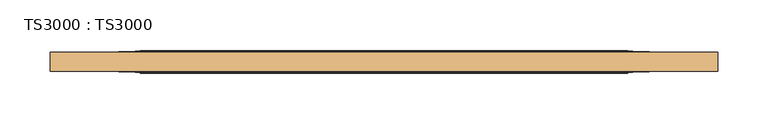
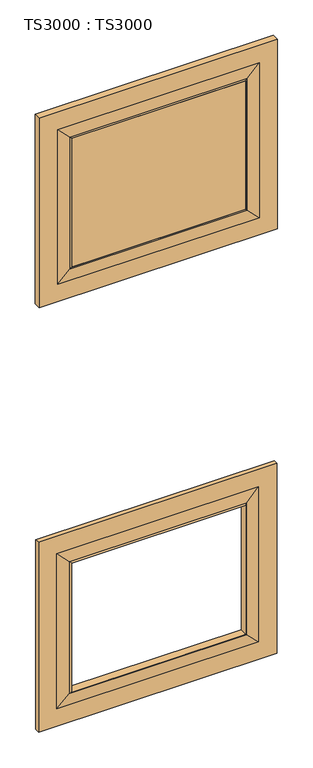
"""IFC4 building model written with IfcOpenShell, lengths in millimetres: door geometry, TS3000 : TS3000."""

from ifc_helpers import new_model, si_unit, frame, origin, place, context, project, spatial, polyline, ellipse_curve, outline, extrude, source, transform, mapped, element, save
from ifc_brep_helpers import plane_surface, revolved_surface, advanced_brep


def ts3000_ts3000_854737be(model_context):
    return source(origin(), model_context, "Body", "SolidModel", [
        advanced_brep(
        [(787.4, -15.875, 764.1166667), (787.4, -28.575, 764.1166667), (787.4, -28.575, 209.55), (787.4, -15.875, 209.55), (698.5, -33.3375, 675.2166667), (698.5, -11.1125, 675.2166667), (698.5, -11.1125, 298.45), (698.5, -33.3375, 298.45), (127.0, -28.575, 209.55), (127.0, -15.875, 209.55), (215.9, -11.1125, 298.45), (215.9, -33.3375, 298.45), (127.0, -28.575, 764.1166667), (127.0, -15.875, 764.1166667), (215.9, -11.1125, 675.2166667), (215.9, -33.3375, 675.2166667), (736.6, -28.575, 260.35), (177.8, -28.575, 260.35), (177.8, -28.575, 713.3166667), (736.6, -28.575, 713.3166667), (736.6, -15.875, 713.3166667), (177.8, -15.875, 713.3166667), (177.8, -15.875, 260.35), (736.6, -15.875, 260.35), (703.2625, -30.95625, 679.9791667), (703.2625, -30.95625, 293.6875), (211.1375, -30.95625, 293.6875), (211.1375, -30.95625, 679.9791667), (703.2625, -13.49375, 679.9791667), (703.2625, -13.49375, 293.6875), (211.1375, -13.49375, 293.6875), (211.1375, -13.49375, 679.9791667)],
        [
            (0, 1),
            (1, 2),
            (2, 3),
            (3, 0),
            (4, 5),
            (5, 6),
            (6, 7),
            (7, 4),
            (2, 8),
            (8, 9),
            (9, 3),
            (6, 10),
            (10, 11),
            (11, 7),
            (8, 12),
            (12, 13),
            (13, 9),
            (10, 14),
            (14, 15),
            (15, 11),
            (1, 12),
            (16, 17),
            (17, 18),
            (18, 19),
            (19, 16),
            (0, 13),
            (20, 21),
            (21, 22),
            (22, 23),
            (23, 20),
            (14, 5),
            (4, 15),
            (19, 24),
            (24, 25),
            (25, 16),
            (25, 26),
            (26, 17),
            (26, 27),
            (27, 18),
            (27, 24),
            (28, 20),
            (23, 29),
            (29, 28),
            (5, 28, ellipse_curve(frame((703.7585938, -6.5484375, 680.4752604), z_axis=(-0.7071067811865475, 0.0, 0.7071067811865475), x_axis=(-0.7071067811865474, 0.0, -0.7071067811865476)), 9.8471798, 6.9630076)),
            (29, 6, ellipse_curve(frame((703.7585938, -6.5484375, 293.1914062), z_axis=(-0.7071067811865475, 0.0, -0.7071067811865475), x_axis=(0.7071067811865474, 0.0, -0.7071067811865476)), 9.8471798, 6.9630076)),
            (24, 4, ellipse_curve(frame((703.7585938, -37.9015625, 680.4752604), z_axis=(-0.7071067811865475, 0.0, 0.7071067811865475), x_axis=(-0.7071067811865474, 0.0, -0.7071067811865476)), 9.8471798, 6.9630076)),
            (7, 25, ellipse_curve(frame((703.7585938, -37.9015625, 293.1914062), z_axis=(-0.7071067811865475, 0.0, -0.7071067811865475), x_axis=(0.7071067811865474, 0.0, -0.7071067811865476)), 9.8471798, 6.9630076)),
            (22, 30),
            (30, 29),
            (30, 10, ellipse_curve(frame((210.6414062, -6.5484375, 293.1914062), z_axis=(-0.7071067811865475, 0.0, 0.7071067811865475), x_axis=(-0.7071067811865476, 0.0, -0.7071067811865474)), 9.8471798, 6.9630076)),
            (11, 26, ellipse_curve(frame((210.6414062, -37.9015625, 293.1914062), z_axis=(-0.7071067811865475, 0.0, 0.7071067811865475), x_axis=(-0.7071067811865476, 0.0, -0.7071067811865474)), 9.8471798, 6.9630076)),
            (21, 31),
            (31, 30),
            (31, 14, ellipse_curve(frame((210.6414062, -6.5484375, 680.4752604), z_axis=(0.7071067811865475, 0.0, 0.7071067811865475), x_axis=(-0.7071067811865474, 0.0, 0.7071067811865476)), 9.8471798, 6.9630076)),
            (15, 27, ellipse_curve(frame((210.6414062, -37.9015625, 680.4752604), z_axis=(0.7071067811865475, 0.0, 0.7071067811865475), x_axis=(-0.7071067811865474, 0.0, 0.7071067811865476)), 9.8471798, 6.9630076)),
            (28, 31),
        ],
        [
            plane_surface(frame((787.4, -28.575, 764.1166667), z_axis=(1.0, 0.0, 0.0), x_axis=(0.0, 0.0, -1.0))),
            plane_surface(frame((698.5, -11.1125, 675.2166667), z_axis=(-1.0, 0.0, 0.0), x_axis=(0.0, 0.0, -1.0))),
            plane_surface(frame((787.4, -28.575, 209.55), z_axis=(0.0, 0.0, -1.0), x_axis=(-1.0, 0.0, 0.0))),
            plane_surface(frame((698.5, -11.1125, 298.45), z_axis=(0.0, 0.0, 1.0), x_axis=(-1.0, 0.0, 0.0))),
            plane_surface(frame((127.0, -28.575, 209.55), z_axis=(-1.0, 0.0, 0.0), x_axis=(0.0, 0.0, 1.0))),
            plane_surface(frame((215.9, -11.1125, 298.45), z_axis=(1.0, 0.0, 0.0), x_axis=(0.0, 0.0, 1.0))),
            plane_surface(frame((177.8, -28.575, 713.3166667), z_axis=(0.0, -1.0, 0.0), x_axis=(1.0, 0.0, 0.0))),
            plane_surface(frame((127.0, -28.575, 764.1166667), z_axis=(0.0, 0.0, 1.0), x_axis=(1.0, 0.0, 0.0))),
            plane_surface(frame((127.0, -15.875, 764.1166667), z_axis=(0.0, 1.0, 0.0), x_axis=(1.0, 0.0, 0.0))),
            plane_surface(frame((215.9, -11.1125, 675.2166667), z_axis=(0.0, 0.0, -1.0), x_axis=(1.0, 0.0, 0.0))),
            plane_surface(frame((703.2625, -30.95625, 679.9791667), z_axis=(0.07124704998802812, -0.9974586998307265, 0.0), x_axis=(0.0, 0.0, -1.0))),
            plane_surface(frame((703.2625, -30.95625, 293.6875), z_axis=(0.0, -0.9974586998307263, -0.07124704998803134), x_axis=(-1.0, 0.0, 0.0))),
            plane_surface(frame((211.1375, -30.95625, 293.6875), z_axis=(-0.07124704998803456, -0.9974586998307261, 0.0), x_axis=(0.0, 0.0, 1.0))),
            plane_surface(frame((211.1375, -30.95625, 679.9791667), z_axis=(0.0, -0.9974586998307263, 0.07124704998803134), x_axis=(1.0, 0.0, 0.0))),
            plane_surface(frame((736.6, -15.875, 713.3166667), z_axis=(0.07124704998803483, 0.9974586998307261, 0.0), x_axis=(0.0, 0.0, -1.0))),
            revolved_surface(polyline([(696.7955862, -6.5484375, 286.2283985878568), (696.7955862, -6.5484375, 687.4382680121432)]), (703.7585938, -6.5484375, 675.2166667), (0.0, 0.0, -1.0)),
            revolved_surface(polyline([(696.7955862, -37.9015625, 286.2283985878568), (696.7955862, -37.9015625, 687.4382680121432)]), (703.7585938, -37.9015625, 675.2166667), (0.0, 0.0, -1.0)),
            plane_surface(frame((736.6, -15.875, 260.35), z_axis=(0.0, 0.9974586998307263, -0.07124704998803161), x_axis=(-1.0, 0.0, 0.0))),
            revolved_surface(polyline([(203.6783985878568, -6.5484375, 300.15441380000004), (710.7216014121432, -6.5484375, 300.15441380000004)]), (698.5, -6.5484375, 293.1914062), (-1.0, 0.0, 0.0)),
            revolved_surface(polyline([(203.6783985878568, -37.9015625, 300.15441380000004), (710.7216014121432, -37.9015625, 300.15441380000004)]), (698.5, -37.9015625, 293.1914062), (-1.0, 0.0, 0.0)),
            plane_surface(frame((177.8, -15.875, 260.35), z_axis=(-0.07124704998802839, 0.9974586998307265, 0.0), x_axis=(0.0, 0.0, 1.0))),
            revolved_surface(polyline([(217.6044138, -6.5484375, 687.4382680121432), (217.6044138, -6.5484375, 286.2283985878568)]), (210.6414062, -6.5484375, 298.45), (0.0, 0.0, 1.0)),
            revolved_surface(polyline([(217.6044138, -37.9015625, 687.4382680121432), (217.6044138, -37.9015625, 286.2283985878568)]), (210.6414062, -37.9015625, 298.45), (0.0, 0.0, 1.0)),
            plane_surface(frame((177.8, -15.875, 713.3166667), z_axis=(0.0, 0.9974586998307263, 0.07124704998803161), x_axis=(1.0, 0.0, 0.0))),
            revolved_surface(polyline([(710.7216014121432, -6.5484375, 673.5122528), (203.6783985878568, -6.5484375, 673.5122528)]), (215.9, -6.5484375, 680.4752604), (1.0, 0.0, 0.0)),
            revolved_surface(polyline([(710.7216014121432, -37.9015625, 673.5122528), (203.6783985878568, -37.9015625, 673.5122528)]), (215.9, -37.9015625, 680.4752604), (1.0, 0.0, 0.0)),
        ],
        [
            (0, [[1, 2, 3, 4]]),
            (1, [[5, 6, 7, 8]]),
            (2, [[-3, 9, 10, 11]]),
            (3, [[-7, 12, 13, 14]]),
            (4, [[-10, 15, 16, 17]]),
            (5, [[-13, 18, 19, 20]]),
            (6, [[21, -15, -9, -2], [22, 23, 24, 25]]),
            (7, [[-16, -21, -1, 26]]),
            (8, [[-11, -17, -26, -4], [27, 28, 29, 30]]),
            (9, [[-19, 31, -5, 32]]),
            (10, [[33, 34, 35, -25]]),
            (11, [[-35, 36, 37, -22]]),
            (12, [[-37, 38, 39, -23]]),
            (13, [[-39, 40, -33, -24]]),
            (14, [[41, -30, 42, 43]]),
            (15, [[44, -43, 45, -6]]),
            (16, [[46, -8, 47, -34]]),
            (17, [[-42, -29, 48, 49]]),
            (18, [[-45, -49, 50, -12]]),
            (19, [[-47, -14, 51, -36]]),
            (20, [[-48, -28, 52, 53]]),
            (21, [[-50, -53, 54, -18]]),
            (22, [[-51, -20, 55, -38]]),
            (23, [[-52, -27, -41, 56]]),
            (24, [[-54, -56, -44, -31]]),
            (25, [[-55, -32, -46, -40]]),
        ],
    ),
        advanced_brep(
        [(787.4, -12.7, 2006.6), (787.4, -31.75, 2006.6), (787.4, -31.75, 1452.0333333), (787.4, -12.7, 1452.0333333), (698.5, -33.3375, 1917.7), (698.5, -11.1125, 1917.7), (698.5, -11.1125, 1540.9333333), (698.5, -33.3375, 1540.9333333), (127.0, -31.75, 1452.0333333), (127.0, -12.7, 1452.0333333), (215.9, -11.1125, 1540.9333333), (215.9, -33.3375, 1540.9333333), (127.0, -31.75, 2006.6), (127.0, -12.7, 2006.6), (215.9, -11.1125, 1917.7), (215.9, -33.3375, 1917.7), (736.6, -31.75, 1502.8333333), (177.8, -31.75, 1502.8333333), (177.8, -31.75, 1955.8), (736.6, -31.75, 1955.8), (736.6, -12.7, 1955.8), (177.8, -12.7, 1955.8), (177.8, -12.7, 1502.8333333), (736.6, -12.7, 1502.8333333), (703.2625, -32.54375, 1922.4625), (703.2625, -32.54375, 1536.1708333), (211.1375, -32.54375, 1536.1708333), (211.1375, -32.54375, 1922.4625), (703.2625, -11.90625, 1922.4625), (703.2625, -11.90625, 1536.1708333), (211.1375, -11.90625, 1536.1708333), (211.1375, -11.90625, 1922.4625)],
        [
            (0, 1),
            (1, 2),
            (2, 3),
            (3, 0),
            (4, 5),
            (5, 6),
            (6, 7),
            (7, 4),
            (2, 8),
            (8, 9),
            (9, 3),
            (6, 10),
            (10, 11),
            (11, 7),
            (8, 12),
            (12, 13),
            (13, 9),
            (10, 14),
            (14, 15),
            (15, 11),
            (1, 12),
            (16, 17),
            (17, 18),
            (18, 19),
            (19, 16),
            (0, 13),
            (20, 21),
            (21, 22),
            (22, 23),
            (23, 20),
            (14, 5),
            (4, 15),
            (19, 24),
            (24, 25),
            (25, 16),
            (25, 26),
            (26, 17),
            (26, 27),
            (27, 18),
            (27, 24),
            (28, 20),
            (23, 29),
            (29, 28),
            (5, 28, ellipse_curve(frame((703.7585938, 5.7546875, 1922.9585938), z_axis=(-0.7071067811865475, 0.0, 0.7071067811865475), x_axis=(-0.7071067811865474, 0.0, -0.7071067811865476)), 24.9861891, 17.6679037)),
            (29, 6, ellipse_curve(frame((703.7585938, 5.7546875, 1535.6747396), z_axis=(-0.7071067811865475, 0.0, -0.7071067811865475), x_axis=(0.7071067811865474, 0.0, -0.7071067811865476)), 24.9861891, 17.6679037)),
            (24, 4, ellipse_curve(frame((703.7585938, -50.2046875, 1922.9585938), z_axis=(-0.7071067811865475, 0.0, 0.7071067811865475), x_axis=(-0.7071067811865474, 0.0, -0.7071067811865476)), 24.9861891, 17.6679037)),
            (7, 25, ellipse_curve(frame((703.7585938, -50.2046875, 1535.6747396), z_axis=(-0.7071067811865475, 0.0, -0.7071067811865475), x_axis=(0.7071067811865474, 0.0, -0.7071067811865476)), 24.9861891, 17.6679037)),
            (22, 30),
            (30, 29),
            (30, 10, ellipse_curve(frame((210.6414063, 5.7546875, 1535.6747396), z_axis=(-0.7071067811865475, 0.0, 0.7071067811865475), x_axis=(-0.7071067811865476, 0.0, -0.7071067811865474)), 24.9861891, 17.6679037)),
            (11, 26, ellipse_curve(frame((210.6414063, -50.2046875, 1535.6747396), z_axis=(-0.7071067811865475, 0.0, 0.7071067811865475), x_axis=(-0.7071067811865476, 0.0, -0.7071067811865474)), 24.9861891, 17.6679037)),
            (21, 31),
            (31, 30),
            (31, 14, ellipse_curve(frame((210.6414063, 5.7546875, 1922.9585938), z_axis=(0.7071067811865475, 0.0, 0.7071067811865475), x_axis=(-0.7071067811865474, 0.0, 0.7071067811865476)), 24.9861891, 17.6679037)),
            (15, 27, ellipse_curve(frame((210.6414063, -50.2046875, 1922.9585938), z_axis=(0.7071067811865475, 0.0, 0.7071067811865475), x_axis=(-0.7071067811865474, 0.0, 0.7071067811865476)), 24.9861891, 17.6679037)),
            (28, 31),
        ],
        [
            plane_surface(frame((787.4, -31.75, 2006.6), z_axis=(1.0, 0.0, 0.0), x_axis=(0.0, 0.0, -1.0))),
            plane_surface(frame((698.5, -11.1125, 1917.7), z_axis=(-1.0, 0.0, 0.0), x_axis=(0.0, 0.0, -1.0))),
            plane_surface(frame((787.4, -31.75, 1452.0333333), z_axis=(0.0, 0.0, -1.0), x_axis=(-1.0, 0.0, 0.0))),
            plane_surface(frame((698.5, -11.1125, 1540.9333333), z_axis=(0.0, 0.0, 1.0), x_axis=(-1.0, 0.0, 0.0))),
            plane_surface(frame((127.0, -31.75, 1452.0333333), z_axis=(-1.0, 0.0, 0.0), x_axis=(0.0, 0.0, 1.0))),
            plane_surface(frame((215.9, -11.1125, 1540.9333333), z_axis=(1.0, 0.0, 0.0), x_axis=(0.0, 0.0, 1.0))),
            plane_surface(frame((177.8, -31.75, 1955.8), z_axis=(0.0, -1.0, 0.0), x_axis=(1.0, 0.0, 0.0))),
            plane_surface(frame((127.0, -31.75, 2006.6), z_axis=(0.0, 0.0, 1.0), x_axis=(1.0, 0.0, 0.0))),
            plane_surface(frame((127.0, -12.7, 2006.6), z_axis=(0.0, 1.0, 0.0), x_axis=(1.0, 0.0, 0.0))),
            plane_surface(frame((215.9, -11.1125, 1917.7), z_axis=(0.0, 0.0, -1.0), x_axis=(1.0, 0.0, 0.0))),
            plane_surface(frame((703.2625, -32.54375, 1922.4625), z_axis=(0.023802777946325054, -0.9997166737441353, 0.0), x_axis=(0.0, 0.0, -1.0))),
            plane_surface(frame((703.2625, -32.54375, 1536.1708333), z_axis=(0.0, -0.9997166737441353, -0.02380277794632829), x_axis=(-1.0, 0.0, 0.0))),
            plane_surface(frame((211.1375, -32.54375, 1536.1708333), z_axis=(-0.023802777946331524, -0.9997166737441352, 0.0), x_axis=(0.0, 0.0, 1.0))),
            plane_surface(frame((211.1375, -32.54375, 1922.4625), z_axis=(0.0, -0.9997166737441353, 0.02380277794632829), x_axis=(1.0, 0.0, 0.0))),
            plane_surface(frame((736.6, -12.7, 1955.8), z_axis=(0.023802777946332284, 0.9997166737441352, 0.0), x_axis=(0.0, 0.0, -1.0))),
            revolved_surface(polyline([(686.0906901, 5.7546875, 1518.0068358513806), (686.0906901, 5.7546875, 1940.6264975486195)]), (703.7585938, 5.7546875, 1917.7), (0.0, 0.0, -1.0)),
            revolved_surface(polyline([(686.0906901, -50.2046875, 1518.0068358513806), (686.0906901, -50.2046875, 1940.6264975486195)]), (703.7585938, -50.2046875, 1917.7), (0.0, 0.0, -1.0)),
            plane_surface(frame((736.6, -12.7, 1502.8333333), z_axis=(0.0, 0.9997166737441353, -0.02380277794632905), x_axis=(-1.0, 0.0, 0.0))),
            revolved_surface(polyline([(192.9735025513806, 5.7546875, 1553.3426433), (721.4264975486194, 5.7546875, 1553.3426433)]), (698.5, 5.7546875, 1535.6747396), (-1.0, 0.0, 0.0)),
            revolved_surface(polyline([(192.9735025513806, -50.2046875, 1553.3426433), (721.4264975486194, -50.2046875, 1553.3426433)]), (698.5, -50.2046875, 1535.6747396), (-1.0, 0.0, 0.0)),
            plane_surface(frame((177.8, -12.7, 1502.8333333), z_axis=(-0.023802777946325817, 0.9997166737441354, 0.0), x_axis=(0.0, 0.0, 1.0))),
            revolved_surface(polyline([(228.30931, 5.7546875, 1940.6264975486195), (228.30931, 5.7546875, 1518.0068358513806)]), (210.6414063, 5.7546875, 1540.9333333), (0.0, 0.0, 1.0)),
            revolved_surface(polyline([(228.30931, -50.2046875, 1940.6264975486195), (228.30931, -50.2046875, 1518.0068358513806)]), (210.6414063, -50.2046875, 1540.9333333), (0.0, 0.0, 1.0)),
            plane_surface(frame((177.8, -12.7, 1955.8), z_axis=(0.0, 0.9997166737441353, 0.02380277794632905), x_axis=(1.0, 0.0, 0.0))),
            revolved_surface(polyline([(721.4264975486194, 5.7546875, 1905.2906901000001), (192.9735025513806, 5.7546875, 1905.2906901000001)]), (215.9, 5.7546875, 1922.9585938), (1.0, 0.0, 0.0)),
            revolved_surface(polyline([(721.4264975486194, -50.2046875, 1905.2906901000001), (192.9735025513806, -50.2046875, 1905.2906901000001)]), (215.9, -50.2046875, 1922.9585938), (1.0, 0.0, 0.0)),
        ],
        [
            (0, [[1, 2, 3, 4]]),
            (1, [[5, 6, 7, 8]]),
            (2, [[-3, 9, 10, 11]]),
            (3, [[-7, 12, 13, 14]]),
            (4, [[-10, 15, 16, 17]]),
            (5, [[-13, 18, 19, 20]]),
            (6, [[21, -15, -9, -2], [22, 23, 24, 25]]),
            (7, [[-16, -21, -1, 26]]),
            (8, [[-11, -17, -26, -4], [27, 28, 29, 30]]),
            (9, [[-19, 31, -5, 32]]),
            (10, [[33, 34, 35, -25]]),
            (11, [[-35, 36, 37, -22]]),
            (12, [[-37, 38, 39, -23]]),
            (13, [[-39, 40, -33, -24]]),
            (14, [[41, -30, 42, 43]]),
            (15, [[44, -43, 45, -6]]),
            (16, [[46, -8, 47, -34]]),
            (17, [[-42, -29, 48, 49]]),
            (18, [[-45, -49, 50, -12]]),
            (19, [[-47, -14, 51, -36]]),
            (20, [[-48, -28, 52, 53]]),
            (21, [[-50, -53, 54, -18]]),
            (22, [[-51, -20, 55, -38]]),
            (23, [[-52, -27, -41, 56]]),
            (24, [[-54, -56, -44, -31]]),
            (25, [[-55, -32, -46, -40]]),
        ],
    ),
        extrude(outline(polyline([(215.9, -11.1125), (698.5, -11.1125), (698.5, -33.3375), (215.9, -33.3375), (215.9, -11.1125)])), frame((0.0, 0.0, 1540.9333333), z_axis=(0.0, 0.0, 1.0), x_axis=(1.0, 0.0, 0.0)), (0.0, 0.0, 1.0), 376.7666667),
    ])


if __name__ == "__main__":
    model = new_model("IFC4")
    model_context = context("Model", 3, world=origin())
    ifc_project = project(units=[si_unit("LENGTHUNIT", "METRE", prefix="MILLI")], contexts=[model_context])
    site = spatial("IfcSite", under=ifc_project)
    building = spatial("IfcBuilding", under=site)
    placement = place(None, origin())
    ts3000_ts3000_shape = ts3000_ts3000_854737be(model_context)
    element("IfcDoor", 1, ObjectType="TS3000 : TS3000", at=placement, inside=building, context=model_context, shape_type="MappedRepresentation", body=[
        mapped(ts3000_ts3000_shape, transform((0.0, 0.0, 0.0), x_axis=(1.0, 0.0, 0.0), y_axis=(0.0, 1.0, 0.0), z_axis=(0.0, 0.0, 1.0))),
    ])
    save(model, "model.ifc")
